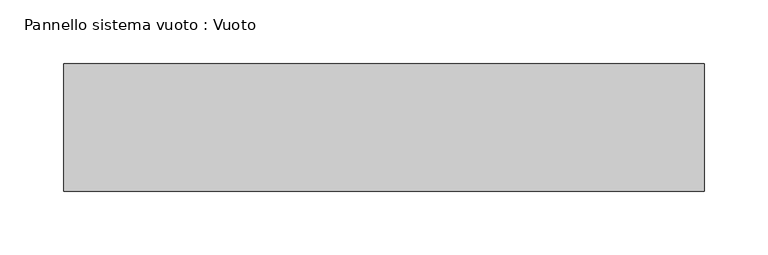
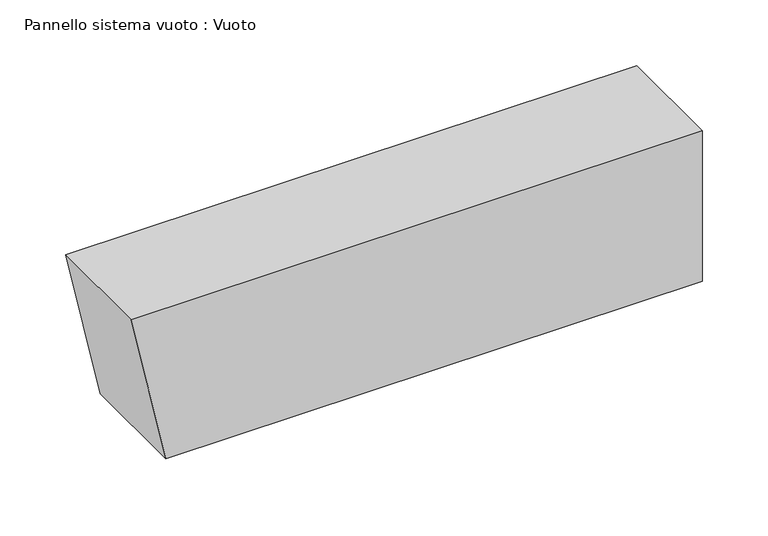
"""IFC4 building model written with IfcOpenShell, lengths in millimetres: plate geometry, Pannello sistema vuoto : Vuoto."""

from ifc_helpers import new_model, si_unit, frame, origin, place, context, project, spatial, polyline, outline, extrude, source, transform, mapped, element, save


def pannello_sistema_vuoto_vuoto_a16feac6(model_context):
    return source(origin(), model_context, "Body", "SweptSolid", [
        extrude(outline(polyline([(0.0, -220.956469), (0.0, 251.4268545), (140.0, 251.4268545), (140.0, -251.4268545), (0.0, -220.956469)])), frame((0.0, 50.0, 0.0), z_axis=(0.0, 1.0, 0.0), x_axis=(0.0, 0.0, 1.0)), (0.0, 0.0, 1.0), 100.0),
    ])


if __name__ == "__main__":
    model = new_model("IFC4")
    model_context = context("Model", 3, world=origin())
    ifc_project = project(units=[si_unit("LENGTHUNIT", "METRE", prefix="MILLI")], contexts=[model_context])
    site = spatial("IfcSite", under=ifc_project)
    building = spatial("IfcBuilding", under=site)
    placement = place(None, origin())
    pannello_sistema_vuoto_vuoto_shape = pannello_sistema_vuoto_vuoto_a16feac6(model_context)
    element("IfcPlate", 1, ObjectType="Pannello sistema vuoto : Vuoto", at=placement, inside=building, context=model_context, shape_type="MappedRepresentation", body=[
        mapped(pannello_sistema_vuoto_vuoto_shape, transform((0.0, 0.0, 0.0), x_axis=(1.0, 0.0, 0.0), y_axis=(0.0, 1.0, 0.0), z_axis=(0.0, 0.0, 1.0))),
    ])
    save(model, "model.ifc")
